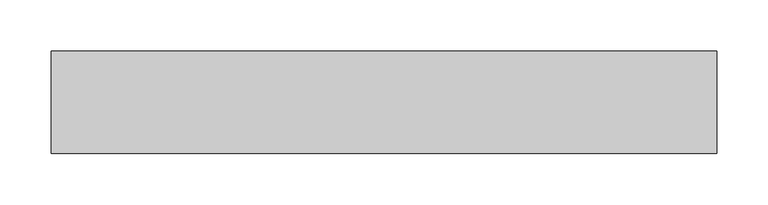
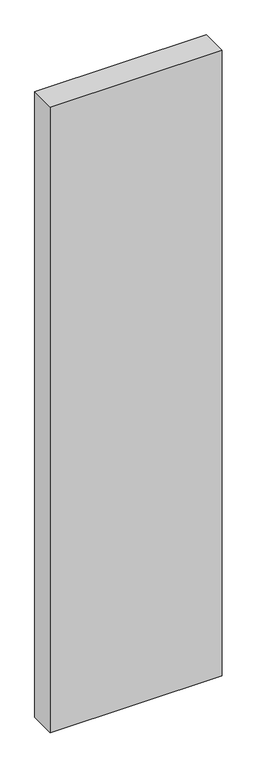
"""IFC4 building model written with IfcOpenShell, lengths in millimetres: proxy geometry."""

from ifc_helpers import new_model, si_unit, frame, origin, place, context, project, spatial, polyline, outline, extrude, source, transform, mapped, element, save


def generic_models_e03013c3(model_context):
    return source(origin(), model_context, "Body", "SweptSolid", [
        extrude(outline(polyline([(650.0, 100.0), (650.0, 0.0), (0.0, 0.0), (0.0, 100.0), (650.0, 100.0)])), frame((0.0, 0.0, -2500.0), z_axis=(0.0, 0.0, 1.0), x_axis=(1.0, 0.0, 0.0)), (0.0, 0.0, 1.0), 2500.0),
    ])


if __name__ == "__main__":
    model = new_model("IFC4")
    model_context = context("Model", 3, world=origin())
    ifc_project = project(units=[si_unit("LENGTHUNIT", "METRE", prefix="MILLI")], contexts=[model_context])
    site = spatial("IfcSite", under=ifc_project)
    building = spatial("IfcBuilding", under=site)
    placement = place(None, origin())
    generic_models_shape = generic_models_e03013c3(model_context)
    element("IfcBuildingElementProxy", 1, Name="Generic Models", at=placement, inside=building, context=model_context, shape_type="MappedRepresentation", body=[
        mapped(generic_models_shape, transform((0.0, 0.0, 0.0), x_axis=(1.0, 0.0, 0.0), y_axis=(0.0, 1.0, 0.0), z_axis=(0.0, 0.0, 1.0))),
    ])
    save(model, "model.ifc")
